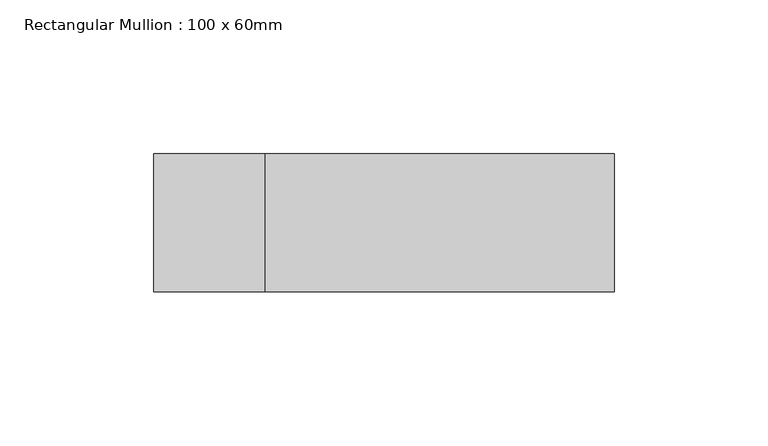
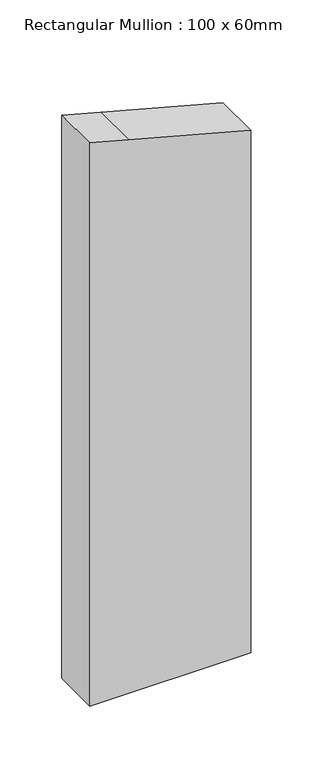
"""IFC4 building model written with IfcOpenShell, lengths in millimetres: member geometry, Rectangular Mullion : 100 x 60mm."""

from ifc_helpers import new_model, si_unit, frame, origin, place, context, project, spatial, polyline, outline, extrude, source, transform, mapped, element, save


def rectangular_mullion_100_x_60mm_2beb2f88(model_context):
    return source(origin(), model_context, "Body", "SweptSolid", [
        extrude(outline(polyline([(-175.3876165, 75.0), (-144.8888739, -38.8228568), (-135.1952376, -75.0), (-690.1841203, -75.0), (-690.1841203, 75.0), (-175.3876165, 75.0)])), frame((0.0, -30.0, 0.0), z_axis=(0.0, 1.0, 0.0), x_axis=(0.0, 0.0, 1.0)), (0.0, 0.0, 1.0), 45.0),
    ])


if __name__ == "__main__":
    model = new_model("IFC4")
    model_context = context("Model", 3, world=origin())
    ifc_project = project(units=[si_unit("LENGTHUNIT", "METRE", prefix="MILLI")], contexts=[model_context])
    site = spatial("IfcSite", under=ifc_project)
    building = spatial("IfcBuilding", under=site)
    placement = place(None, origin())
    rectangular_mullion_100_x_60mm_shape = rectangular_mullion_100_x_60mm_2beb2f88(model_context)
    element("IfcMember", 1, ObjectType="Rectangular Mullion : 100 x 60mm", at=placement, inside=building, context=model_context, shape_type="MappedRepresentation", body=[
        mapped(rectangular_mullion_100_x_60mm_shape, transform((0.0, 0.0, 0.0), x_axis=(1.0, 0.0, 0.0), y_axis=(0.0, 1.0, 0.0), z_axis=(0.0, 0.0, 1.0))),
    ])
    save(model, "model.ifc")
